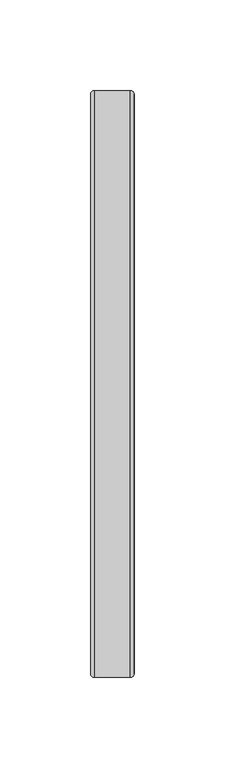
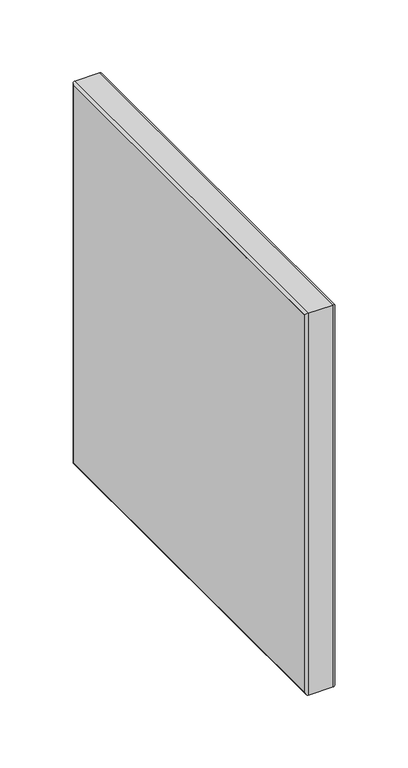
"""IFC4 building model written with IfcOpenShell, lengths in millimetres: furniture geometry."""

from ifc_helpers import new_model, si_unit, frame, origin, place, context, project, spatial, polyline, ellipse_curve, outline, extrude, source, transform, mapped, element, save
from ifc_brep_helpers import plane_surface, cylinder_surface, advanced_brep


def furniture_85619e1c(model_context):
    return source(origin(), model_context, "Body", "SolidModel", [
        extrude(outline(polyline([(0.762, -248.0503934), (0.762, 71.7997054), (24.765, 71.7997054), (24.765, -248.0503934), (0.762, -248.0503934)])), frame((0.0, 0.0, 737.207073), z_axis=(0.0, 0.0, 1.0), x_axis=(1.0, 0.0, 0.0)), (0.0, 0.0, 1.0), 319.0359768),
        advanced_brep(
        [(24.7649126, 71.7997054, 1056.2430498), (0.7584239, 71.7997054, 1056.2430498), (0.7584239, 71.7997054, 737.207073), (24.7649126, 71.7997054, 737.207073), (0.7584239, -248.0503934, 737.207073), (24.7649126, -248.0503934, 737.207073), (0.7584239, -248.0503934, 1056.2430498), (24.7649126, -248.0503934, 1056.2430498), (22.7770434, 73.8063054, 1058.2496498), (22.7770434, 73.8063054, 735.200473), (22.7770434, -250.0569934, 735.200473), (22.7770434, -250.0569934, 1058.2496498), (2.7650239, 73.8063054, 1058.2496498), (2.7650239, 73.8063054, 735.200473), (2.7650239, -250.0569934, 735.200473), (2.7650239, -250.0569934, 1058.2496498)],
        [
            (0, 1),
            (1, 2),
            (2, 3),
            (3, 0),
            (2, 4),
            (4, 5),
            (5, 3),
            (4, 6),
            (6, 7),
            (7, 5),
            (6, 1),
            (0, 7),
            (8, 0, ellipse_curve(frame((22.7770434, 71.8183487, 1056.2616932), z_axis=(0.0, 0.7071067811865475, -0.7071067811865475), x_axis=(0.0, 0.7071067811865474, 0.7071067811865476)), 2.8113952, 1.9879566)),
            (3, 9, ellipse_curve(frame((22.7770434, 71.8183487, 737.1884297), z_axis=(0.0, 0.7071067811865475, 0.7071067811865475), x_axis=(0.0, -0.7071067811865474, 0.7071067811865476)), 2.8113952, 1.9879566)),
            (9, 8),
            (5, 10, ellipse_curve(frame((22.7770434, -248.0690368, 737.1884297), z_axis=(0.0, 0.7071067811865475, -0.7071067811865475), x_axis=(0.0, 0.7071067811865476, 0.7071067811865474)), 2.8113952, 1.9879566)),
            (10, 9),
            (7, 11, ellipse_curve(frame((22.7770434, -248.0690368, 1056.2616932), z_axis=(0.0, -0.7071067811865475, -0.7071067811865475), x_axis=(0.0, 0.7071067811865474, -0.7071067811865476)), 2.8113952, 1.9879566)),
            (11, 10),
            (8, 11),
            (1, 12, ellipse_curve(frame((2.7650239, 71.7997054, 1056.2430498), z_axis=(0.0, 0.7071067811865475, -0.7071067811865475), x_axis=(0.0, 0.7071067811865474, 0.7071067811865476)), 2.8377609, 2.0066)),
            (12, 13),
            (13, 2, ellipse_curve(frame((2.7650239, 71.7997054, 737.207073), z_axis=(0.0, 0.7071067811865475, 0.7071067811865475), x_axis=(0.0, -0.7071067811865474, 0.7071067811865476)), 2.8377609, 2.0066)),
            (12, 8),
            (9, 13),
            (13, 14),
            (14, 4, ellipse_curve(frame((2.7650239, -248.0503934, 737.207073), z_axis=(0.0, 0.7071067811865475, -0.7071067811865475), x_axis=(0.0, 0.7071067811865476, 0.7071067811865474)), 2.8377609, 2.0066)),
            (10, 14),
            (14, 15),
            (15, 6, ellipse_curve(frame((2.7650239, -248.0503934, 1056.2430498), z_axis=(0.0, -0.7071067811865475, -0.7071067811865475), x_axis=(0.0, 0.7071067811865474, -0.7071067811865476)), 2.8377609, 2.0066)),
            (11, 15),
            (15, 12),
        ],
        [
            plane_surface(frame((0.7584239, 71.7997054, 1056.2430498), z_axis=(0.0, -1.0, 0.0), x_axis=(0.0, 0.0, -1.0))),
            plane_surface(frame((0.7584239, 71.7997054, 737.207073), z_axis=(0.0, 0.0, 1.0), x_axis=(0.0, -1.0, 0.0))),
            plane_surface(frame((0.7584239, -248.0503934, 737.207073), z_axis=(0.0, 1.0, 0.0), x_axis=(0.0, 0.0, 1.0))),
            plane_surface(frame((0.7584239, -248.0503934, 1056.2430498), z_axis=(0.0, 0.0, -1.0), x_axis=(0.0, 1.0, 0.0))),
            cylinder_surface(frame((22.7770434, 71.8183487, 1056.2430498), z_axis=(0.0, 0.0, 1.0), x_axis=(0.0, -1.0, 0.0)), 1.9879566),
            cylinder_surface(frame((22.7770434, 71.7997054, 737.1884297), z_axis=(0.0, 1.0, 0.0), x_axis=(0.0, 0.0, 1.0)), 1.9879566),
            cylinder_surface(frame((22.7770434, -248.0690368, 737.207073), z_axis=(0.0, 0.0, -1.0), x_axis=(0.0, 1.0, 0.0)), 1.9879566),
            cylinder_surface(frame((22.7770434, -248.0503934, 1056.2616932), z_axis=(0.0, -1.0, 0.0), x_axis=(0.0, 0.0, -1.0)), 1.9879566),
            cylinder_surface(frame((2.7650239, 71.7997054, 1056.2430498), z_axis=(0.0, 0.0, 1.0), x_axis=(0.0, -1.0, 0.0)), 2.0066),
            plane_surface(frame((22.7770434, 73.8063054, 1058.2496498), z_axis=(0.0, 1.0, 0.0), x_axis=(0.0, 0.0, -1.0))),
            cylinder_surface(frame((2.7650239, 71.7997054, 737.207073), z_axis=(0.0, 1.0, 0.0), x_axis=(0.0, 0.0, 1.0)), 2.0066),
            plane_surface(frame((22.7770434, 73.8063054, 735.200473), z_axis=(0.0, 0.0, -1.0), x_axis=(0.0, -1.0, 0.0))),
            cylinder_surface(frame((2.7650239, -248.0503934, 737.207073), z_axis=(0.0, 0.0, -1.0), x_axis=(0.0, 1.0, 0.0)), 2.0066),
            plane_surface(frame((22.7770434, -250.0569934, 735.200473), z_axis=(0.0, -1.0, 0.0), x_axis=(0.0, 0.0, 1.0))),
            cylinder_surface(frame((2.7650239, -248.0503934, 1056.2430498), z_axis=(0.0, -1.0, 0.0), x_axis=(0.0, 0.0, -1.0)), 2.0066),
            plane_surface(frame((22.7770434, -250.0569934, 1058.2496498), z_axis=(0.0, 0.0, 1.0), x_axis=(0.0, 1.0, 0.0))),
        ],
        [
            (0, [[1, 2, 3, 4]]),
            (1, [[-3, 5, 6, 7]]),
            (2, [[-6, 8, 9, 10]]),
            (3, [[-9, 11, -1, 12]]),
            (4, [[13, -4, 14, 15]]),
            (5, [[-14, -7, 16, 17]]),
            (6, [[-16, -10, 18, 19]]),
            (7, [[-18, -12, -13, 20]]),
            (8, [[21, 22, 23, -2]]),
            (9, [[24, -15, 25, -22]]),
            (10, [[-23, 26, 27, -5]]),
            (11, [[-25, -17, 28, -26]]),
            (12, [[-27, 29, 30, -8]]),
            (13, [[-28, -19, 31, -29]]),
            (14, [[-30, 32, -21, -11]]),
            (15, [[-31, -20, -24, -32]]),
        ],
    ),
    ])


if __name__ == "__main__":
    model = new_model("IFC4")
    model_context = context("Model", 3, world=origin())
    ifc_project = project(units=[si_unit("LENGTHUNIT", "METRE", prefix="MILLI")], contexts=[model_context])
    site = spatial("IfcSite", under=ifc_project)
    building = spatial("IfcBuilding", under=site)
    placement = place(None, origin())
    furniture_shape = furniture_85619e1c(model_context)
    element("IfcFurniture", 1, at=placement, inside=building, context=model_context, shape_type="MappedRepresentation", body=[
        mapped(furniture_shape, transform((0.0, 0.0, 0.0), x_axis=(1.0, 0.0, 0.0), y_axis=(0.0, 1.0, 0.0), z_axis=(0.0, 0.0, 1.0))),
    ])
    save(model, "model.ifc")
